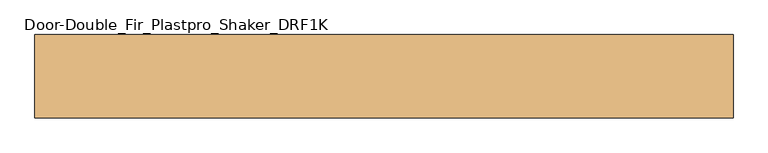
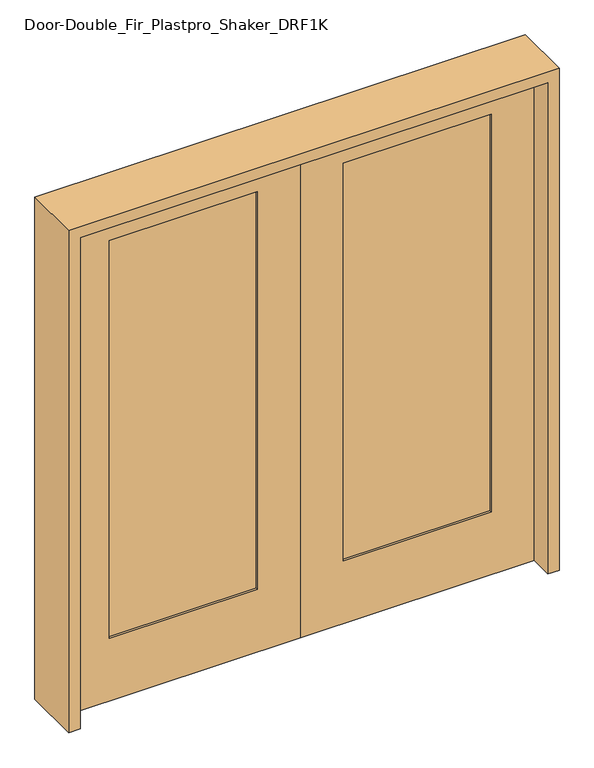
"""IFC4 building model written with IfcOpenShell, lengths in millimetres: door geometry, Door-Double_Fir_Plastpro_Shaker_DRF1K."""

from ifc_helpers import new_model, si_unit, frame, origin, place, context, project, spatial, polyline, outline, extrude, source, transform, mapped, element, save


def door_double_fir_plastpro_shaker_drf1k_00c28886(model_context):
    return source(origin(), model_context, "Body", "SweptSolid", [
        extrude(outline(polyline([(2032.0, 0.0), (2032.0, -914.4), (0.0, -914.4), (0.0, 0.0), (2032.0, 0.0)]), holes=[polyline([(1905.0, -746.125), (1905.0, -168.275), (260.35, -168.275), (260.35, -746.125), (1905.0, -746.125)])]), frame((0.0, -22.225, 0.0), z_axis=(0.0, 1.0, 0.0), x_axis=(0.0, 0.0, 1.0)), (0.0, 0.0, 1.0), 44.45),
        extrude(outline(polyline([(-746.125, 12.7), (-168.275, 12.7), (-168.275, -14.2875), (-746.125, -14.2875), (-746.125, 12.7)])), frame((0.0, 0.0, 260.35), z_axis=(0.0, 0.0, 1.0), x_axis=(1.0, 0.0, 0.0)), (0.0, 0.0, 1.0), 1644.65),
        extrude(outline(polyline([(2032.0, 0.0), (0.0, 0.0), (0.0, 914.4), (2032.0, 914.4), (2032.0, 0.0)]), holes=[polyline([(1905.0, 746.125), (260.35, 746.125), (260.35, 168.275), (1905.0, 168.275), (1905.0, 746.125)])]), frame((0.0, -22.225, 0.0), z_axis=(0.0, 1.0, 0.0), x_axis=(0.0, 0.0, 1.0)), (0.0, 0.0, 1.0), 44.45),
        extrude(outline(polyline([(746.125, 12.7), (746.125, -14.2875), (168.275, -14.2875), (168.275, 12.7), (746.125, 12.7)])), frame((0.0, 0.0, 260.35), z_axis=(0.0, 0.0, 1.0), x_axis=(1.0, 0.0, 0.0)), (0.0, 0.0, 1.0), 1644.65),
        extrude(outline(polyline([(0.0, -958.85), (0.0, -914.4), (2032.0, -914.4), (2032.0, 914.4), (0.0, 914.4), (0.0, 958.85), (2076.45, 958.85), (2076.45, -958.85), (0.0, -958.85)])), frame((0.0, -114.3, 0.0), z_axis=(0.0, 1.0, 0.0), x_axis=(0.0, 0.0, 1.0)), (0.0, 0.0, 1.0), 228.6),
    ])


if __name__ == "__main__":
    model = new_model("IFC4")
    model_context = context("Model", 3, world=origin())
    ifc_project = project(units=[si_unit("LENGTHUNIT", "METRE", prefix="MILLI")], contexts=[model_context])
    site = spatial("IfcSite", under=ifc_project)
    building = spatial("IfcBuilding", under=site)
    placement = place(None, origin())
    door_double_fir_plastpro_shaker_drf1k_shape = door_double_fir_plastpro_shaker_drf1k_00c28886(model_context)
    element("IfcDoor", 1, ObjectType="Door-Double_Fir_Plastpro_Shaker_DRF1K", at=placement, inside=building, context=model_context, shape_type="MappedRepresentation", body=[
        mapped(door_double_fir_plastpro_shaker_drf1k_shape, transform((0.0, 0.0, 0.0), x_axis=(1.0, 0.0, 0.0), y_axis=(0.0, 1.0, 0.0), z_axis=(0.0, 0.0, 1.0))),
    ])
    save(model, "model.ifc")
